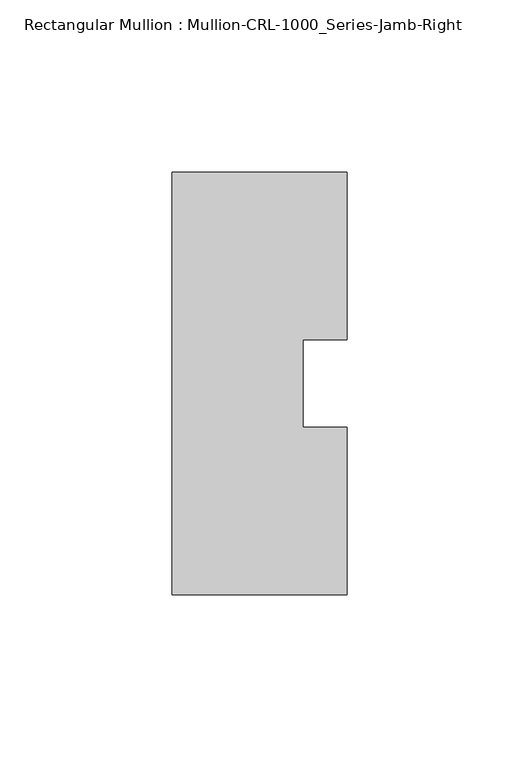
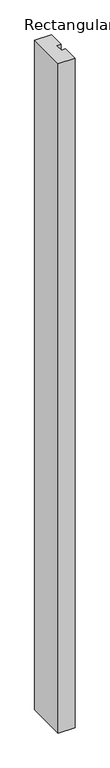
"""IFC4 building model written with IfcOpenShell, lengths in millimetres: member geometry, Rectangular Mullion : Mullion-CRL-1000_Series-Jamb-Right."""

from ifc_helpers import new_model, si_unit, frame, origin, place, context, project, spatial, polyline, outline, extrude, source, transform, mapped, element, save


def rectangular_mullion_mullion_crl_1000_series_jamb_right_a21f83b1(model_context):
    return source(origin(), model_context, "Body", "SweptSolid", [
        extrude(outline(polyline([(25.4, 61.339347), (25.4, 12.7), (12.7000532, 12.7), (12.7000532, -12.7), (25.4, -12.7), (25.4, -61.339347), (-25.4, -61.339347), (-25.4, 61.339347), (25.4, 61.339347)])), frame((0.0, 0.0, -2133.6), z_axis=(0.0, 0.0, 1.0), x_axis=(1.0, 0.0, 0.0)), (0.0, 0.0, 1.0), 2133.6),
    ])


if __name__ == "__main__":
    model = new_model("IFC4")
    model_context = context("Model", 3, world=origin())
    ifc_project = project(units=[si_unit("LENGTHUNIT", "METRE", prefix="MILLI")], contexts=[model_context])
    site = spatial("IfcSite", under=ifc_project)
    building = spatial("IfcBuilding", under=site)
    placement = place(None, origin())
    rectangular_mullion_mullion_crl_1000_series_jamb_right_shape = rectangular_mullion_mullion_crl_1000_series_jamb_right_a21f83b1(model_context)
    element("IfcMember", 1, ObjectType="Rectangular Mullion : Mullion-CRL-1000_Series-Jamb-Right", at=placement, inside=building, context=model_context, shape_type="MappedRepresentation", body=[
        mapped(rectangular_mullion_mullion_crl_1000_series_jamb_right_shape, transform((0.0, 0.0, 0.0), x_axis=(1.0, 0.0, 0.0), y_axis=(0.0, 1.0, 0.0), z_axis=(0.0, 0.0, 1.0))),
    ])
    save(model, "model.ifc")
